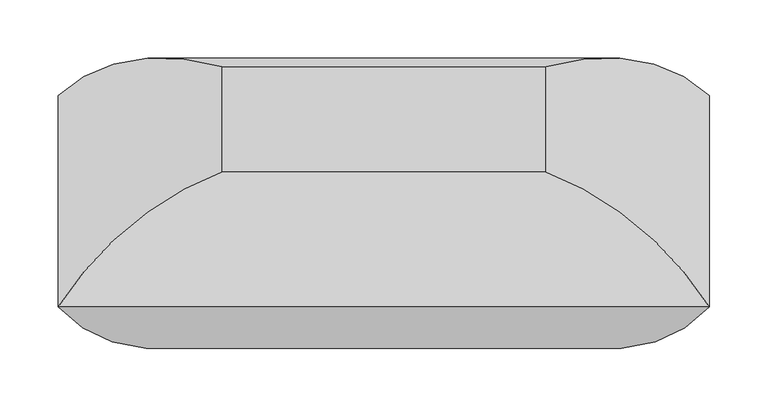
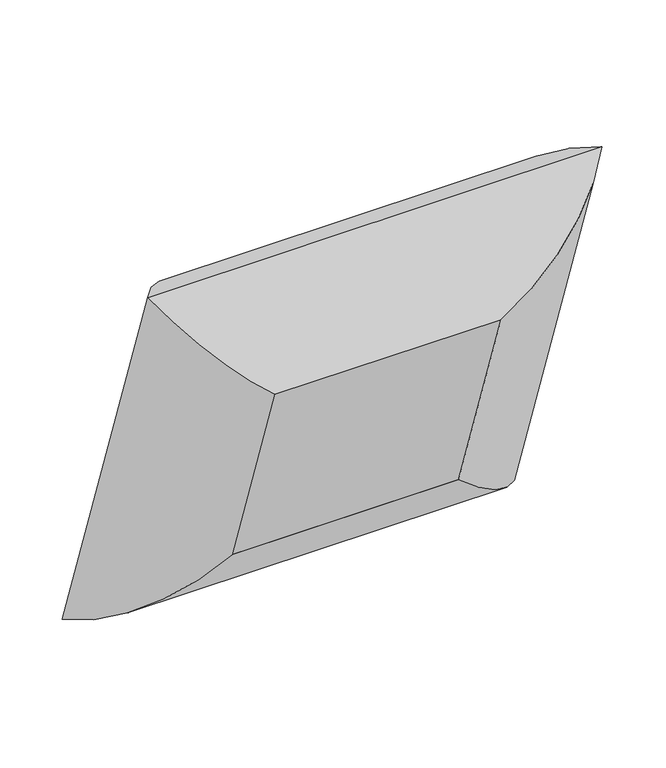
"""IFC4 building model written with IfcOpenShell, lengths in millimetres: furniture geometry."""

from ifc_helpers import new_model, si_unit, frame, origin, place, context, project, spatial, polyline, ellipse_curve, outline, extrude, source, transform, mapped, element, save
from ifc_brep_helpers import plane_surface, cylinder_surface, advanced_brep


def furniture_d19d1a2c(model_context):
    return source(origin(), model_context, "Body", "SolidModel", [
        advanced_brep(
        [(-138.90625, -209.7099625, 801.6558166), (-279.0741804, -181.7153317, 959.539643), (-279.0741804, 0.0, 431.8), (-138.90625, -119.2630596, 538.9789373), (-138.90625, -65.6129316, 851.2724034), (-138.90625, 24.8339713, 588.5955241), (279.0741804, 0.0, 431.8), (138.90625, -119.2630596, 538.9789373), (138.90625, 24.8339713, 588.5955241), (279.0741804, -181.7153317, 959.539643), (138.90625, -209.7099625, 801.6558166), (138.90625, -65.6129316, 851.2724034)],
        [
            (0, 1, ellipse_curve(frame((-134.126504, -43.9268723, 853.6843542), z_axis=(-0.7071067811865476, 0.23021144975504013, -0.6685825965441237), x_axis=(-0.7071067811865474, -0.23021144975504035, 0.6685825965441238)), 245.7274984, 173.7555804)),
            (1, 2),
            (2, 3, ellipse_curve(frame((-134.126504, 43.4077645, 600.0461521), z_axis=(-0.7071067811865474, -0.23021144975504026, 0.6685825965441241), x_axis=(0.707106781186548, -0.23021144975504018, 0.6685825965441233)), 245.7274984, 173.7555804)),
            (3, 0),
            (4, 0),
            (3, 5),
            (5, 4),
            (1, 4, ellipse_curve(frame((-129.7179464, -238.8224534, 781.9138422), z_axis=(-0.7071067811865476, 0.23021144975504013, -0.6685825965441237), x_axis=(-0.7071067811865474, -0.23021144975504035, 0.6685825965441238)), 263.8641638, 186.5801395)),
            (5, 2, ellipse_curve(frame((-129.7179464, -154.3583886, 536.6123863), z_axis=(-0.7071067811865474, -0.23021144975504026, 0.6685825965441241), x_axis=(0.707106781186548, -0.23021144975504018, 0.6685825965441233)), 263.8641638, 186.5801395)),
            (2, 6),
            (6, 7, ellipse_curve(frame((134.126504, 43.4077645, 600.0461521), z_axis=(-0.7071067811865477, 0.23021144975504038, -0.6685825965441236), x_axis=(-0.7071067811865474, -0.23021144975504046, 0.668582596544124)), 245.7274984, 173.7555804)),
            (7, 3),
            (7, 8),
            (8, 5),
            (8, 6, ellipse_curve(frame((129.7179464, -154.3583886, 536.6123863), z_axis=(-0.7071067811865477, 0.23021144975504038, -0.6685825965441236), x_axis=(-0.7071067811865474, -0.23021144975504046, 0.668582596544124)), 263.8641638, 186.5801395)),
            (6, 9),
            (9, 10, ellipse_curve(frame((134.126504, -43.9268723, 853.6843542), z_axis=(0.7071067811865474, 0.23021144975504046, -0.6685825965441238), x_axis=(-0.7071067811865475, 0.23021144975504032, -0.6685825965441238)), 245.7274984, 173.7555804)),
            (10, 7),
            (10, 11),
            (11, 8),
            (11, 9, ellipse_curve(frame((129.7179464, -238.8224534, 781.9138422), z_axis=(0.7071067811865474, 0.23021144975504046, -0.6685825965441238), x_axis=(-0.7071067811865475, 0.23021144975504032, -0.6685825965441238)), 263.8641638, 186.5801395)),
            (9, 1),
            (0, 10),
            (4, 11),
        ],
        [
            cylinder_surface(frame((-134.126504, -45.4830054, 858.2036928), z_axis=(0.0, -0.32556815445715026, 0.9455185755993191), x_axis=(0.0, -0.9455185755993191, -0.32556815445715026)), 173.7555804),
            plane_surface(frame((-138.90625, -209.7099625, 801.6558166), z_axis=(1.0, 0.0, 0.0), x_axis=(0.0, 0.32556815445715026, -0.9455185755993191))),
            cylinder_surface(frame((-129.7179464, -241.8138725, 790.6015539), z_axis=(0.0, -0.32556815445715026, 0.9455185755993191), x_axis=(0.0, -0.9455185755993191, -0.32556815445715026)), 186.5801395),
            cylinder_surface(frame((-138.90625, 43.4077645, 600.0461521), z_axis=(-1.0000000000000002, 0.0, 0.0), x_axis=(0.0, -0.9455185755993193, -0.32556815445714987)), 173.7555804),
            plane_surface(frame((-138.90625, -119.2630596, 538.9789373), z_axis=(0.0, -0.32556815445714976, 0.9455185755993193), x_axis=(1.0, 0.0, 0.0))),
            cylinder_surface(frame((-138.90625, -154.3583886, 536.6123863), z_axis=(-1.0000000000000002, 0.0, 0.0), x_axis=(0.0, -0.9455185755993193, -0.32556815445714987)), 186.5801395),
            cylinder_surface(frame((134.126504, 44.9638976, 595.5268135), z_axis=(0.0, 0.3255681544571504, -0.945518575599319), x_axis=(0.0, -0.945518575599319, -0.3255681544571504)), 173.7555804),
            plane_surface(frame((138.90625, -119.2630596, 538.9789373), z_axis=(-1.0, 0.0, 0.0), x_axis=(0.0, -0.32556815445715026, 0.9455185755993191))),
            cylinder_surface(frame((129.7179464, -151.3669696, 527.9246746), z_axis=(0.0, 0.3255681544571504, -0.945518575599319), x_axis=(0.0, -0.945518575599319, -0.3255681544571504)), 186.5801395),
            cylinder_surface(frame((138.90625, -43.9268723, 853.6843542), z_axis=(1.0, 0.0, 0.0), x_axis=(0.0, -0.9455185755993188, -0.3255681544571508)), 173.7555804),
            plane_surface(frame((138.90625, -209.7099625, 801.6558166), z_axis=(0.0, 0.325568154457151, -0.9455185755993188), x_axis=(-1.0, 0.0, 0.0))),
            cylinder_surface(frame((138.90625, -238.8224534, 781.9138422), z_axis=(1.0, 0.0, 0.0), x_axis=(0.0, -0.9455185755993188, -0.3255681544571508)), 186.5801395),
        ],
        [
            (0, [[1, 2, 3, 4]]),
            (1, [[5, -4, 6, 7]]),
            (2, [[8, -7, 9, -2]]),
            (3, [[-3, 10, 11, 12]]),
            (4, [[-6, -12, 13, 14]]),
            (5, [[-9, -14, 15, -10]]),
            (6, [[-11, 16, 17, 18]]),
            (7, [[-13, -18, 19, 20]]),
            (8, [[-15, -20, 21, -16]]),
            (9, [[-17, 22, -1, 23]]),
            (10, [[-19, -23, -5, 24]]),
            (11, [[-21, -24, -8, -22]]),
        ],
    ),
        extrude(outline(polyline([(0.0, -277.8125), (0.0, 0.0), (152.4, 0.0), (152.4, -277.8125), (0.0, -277.8125)])), frame((-138.90625, -119.2630596, 538.9789373), z_axis=(0.0, -0.32556815445715076, 0.945518575599319), x_axis=(0.0, 0.945518575599319, 0.32556815445715076)), (0.0, 0.0, 1.0), 277.8125),
    ])


if __name__ == "__main__":
    model = new_model("IFC4")
    model_context = context("Model", 3, world=origin())
    ifc_project = project(units=[si_unit("LENGTHUNIT", "METRE", prefix="MILLI")], contexts=[model_context])
    site = spatial("IfcSite", under=ifc_project)
    building = spatial("IfcBuilding", under=site)
    placement = place(None, origin())
    furniture_shape = furniture_d19d1a2c(model_context)
    element("IfcFurniture", 1, at=placement, inside=building, context=model_context, shape_type="MappedRepresentation", body=[
        mapped(furniture_shape, transform((0.0, 0.0, 0.0), x_axis=(1.0, 0.0, 0.0), y_axis=(0.0, 1.0, 0.0), z_axis=(0.0, 0.0, 1.0))),
    ])
    save(model, "model.ifc")
